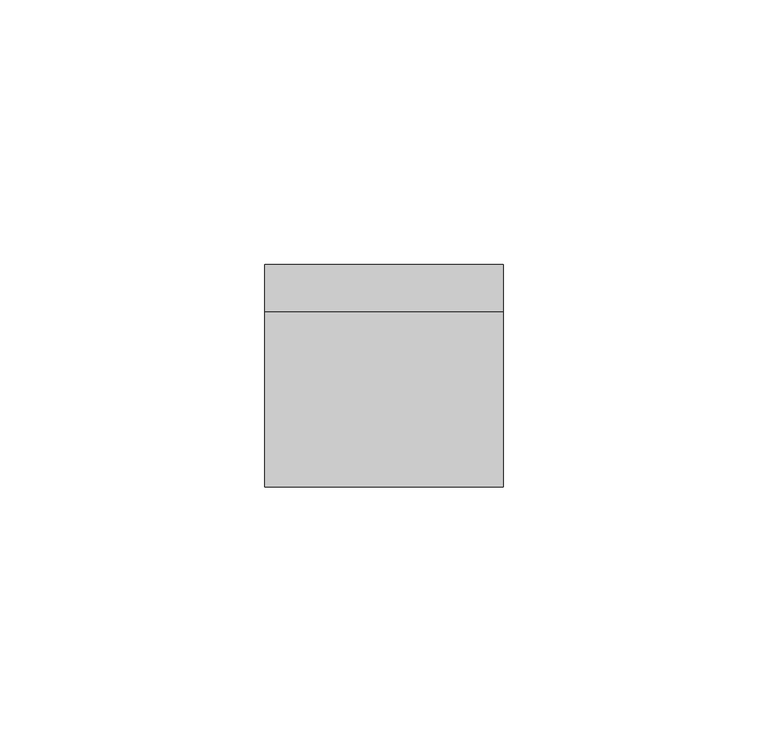
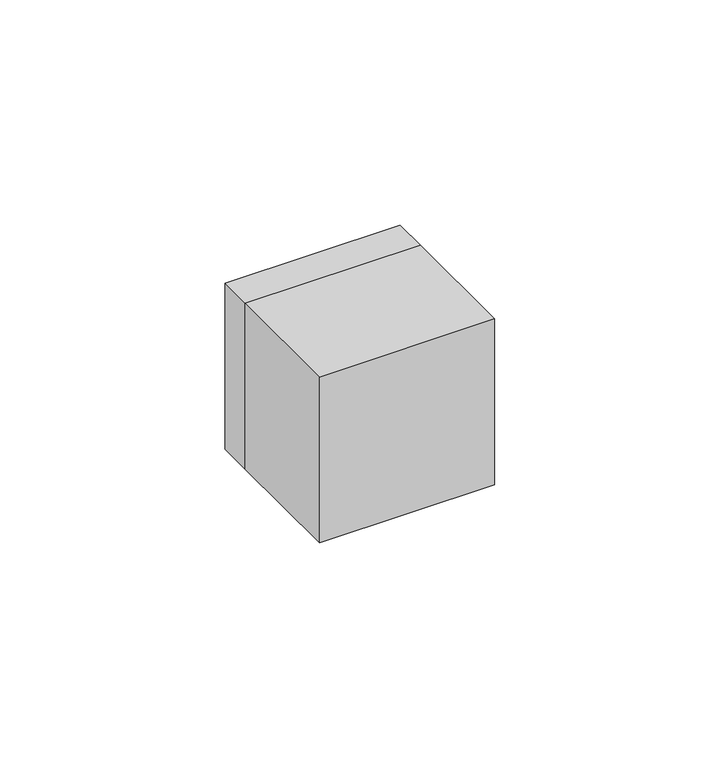
"""IFC4 building model written with IfcOpenShell, lengths in millimetres: proxy geometry."""

import ifcopenshell
import ifcopenshell.guid

model = None  # the IFC model being written
_history = None  # IfcOwnerHistory: only IFC2X3 demands one
_inside = {}  # id of a spatial element -> (the spatial element, [elements in it])
_under = {}  # id of a project, library or spatial element -> (it, [spatial elements below it])
_declared = {}  # id of a project -> (the project, [libraries it declares])
_typed = {}  # id of a type object -> (the type object, [elements of that type])
_made_of = {}  # id of a material, layer set ... -> (it, [elements and type objects made of it])


def new_model(schema):
    """Start an empty IFC model of exactly this schema.

    Asked for "IFC4X3", IfcOpenShell would pick the latest addendum, in which some entities
    have other attributes; the version numbers below select the first issue.
    IFC2X3 requires an IfcOwnerHistory on every rooted entity: one is made here for all.
    """
    global model, _history
    if schema == "IFC4X3":
        model = ifcopenshell.file(schema_version=(4, 3, 0, 0))
    else:
        model = ifcopenshell.file(schema=schema)
    _inside.clear()
    _under.clear()
    _declared.clear()
    _typed.clear()
    _made_of.clear()
    _history = None
    if model.schema == "IFC2X3":
        org = make("IfcOrganization", Name="unknown")
        user = make(
            "IfcPersonAndOrganization",
            ThePerson=make("IfcPerson", FamilyName="unknown"),
            TheOrganization=org,
        )
        app = make(
            "IfcApplication",
            ApplicationDeveloper=org,
            Version="unknown",
            ApplicationFullName="unknown",
            ApplicationIdentifier="unknown",
        )
        _history = make(
            "IfcOwnerHistory",
            OwningUser=user,
            OwningApplication=app,
            ChangeAction="ADDED",
            CreationDate=0,
        )
    return model


def make(cls, **values):
    """One entity of the class cls with the attributes given. An attribute that is None is left unset."""
    return model.create_entity(
        cls, **{name: value for name, value in values.items() if value is not None}
    )


def rooted(cls, **values):
    """An entity with a GlobalId (a new one), such as an element, a storey or a relation."""
    return make(cls, GlobalId=ifcopenshell.guid.new(), OwnerHistory=_history, **values)


def si_unit(unit_type, name, prefix=None):
    """IfcSIUnit, for example si_unit("LENGTHUNIT", "METRE", prefix="MILLI")."""
    return make("IfcSIUnit", UnitType=unit_type, Prefix=prefix, Name=name)


def assignment(units):
    """IfcUnitAssignment: the units of a project."""
    return None if units is None else make("IfcUnitAssignment", Units=units)


def point(xyz):
    """IfcCartesianPoint."""
    return None if xyz is None else make("IfcCartesianPoint", Coordinates=xyz)


def direction(xyz):
    """IfcDirection."""
    return None if xyz is None else make("IfcDirection", DirectionRatios=xyz)


def frame(location, z_axis=None, x_axis=None):
    """IfcAxis2Placement3D, a coordinate frame: its origin and axes. An axis left out is left unset."""
    return make(
        "IfcAxis2Placement3D",
        Location=point(location),
        Axis=direction(z_axis),
        RefDirection=direction(x_axis),
    )


def frame_2d(location, x_axis=None):
    """IfcAxis2Placement2D, a coordinate frame in the plane: its origin and x axis."""
    return make(
        "IfcAxis2Placement2D", Location=point(location), RefDirection=direction(x_axis)
    )


def origin():
    """The frame at (0, 0, 0) with its axes left unset."""
    return frame((0.0, 0.0, 0.0))


def origin_2d():
    """The frame at (0, 0) in the plane with its x axis left unset."""
    return frame_2d((0.0, 0.0))


def place(relative_to, where):
    """IfcLocalPlacement: puts the frame where relative to a parent placement (None: the world)."""
    return make(
        "IfcLocalPlacement", PlacementRelTo=relative_to, RelativePlacement=where
    )


def context(
    kind, dimensions, precision=None, world=None, true_north=None, identifier=None
):
    """IfcGeometricRepresentationContext, for example the 3D "Model" context."""
    return make(
        "IfcGeometricRepresentationContext",
        ContextIdentifier=identifier,
        ContextType=kind,
        CoordinateSpaceDimension=dimensions,
        Precision=precision,
        WorldCoordinateSystem=world,
        TrueNorth=true_north,
    )


def project(units=None, contexts=None):
    """IfcProject with its units and contexts."""
    return rooted(
        "IfcProject",
        Name="project",
        RepresentationContexts=contexts,
        UnitsInContext=assignment(units),
    )


def spatial(cls, under=None, at=None, **own):
    """A site, building, storey or space (cls), placed at a placement, below another one or the project."""
    s = rooted(cls, ObjectPlacement=at, **own)
    if under is not None:
        _under.setdefault(under.id(), (under, []))[1].append(s)
    return s


def polyline(points):
    """IfcPolyline through the points."""
    return make("IfcPolyline", Points=[point(p) for p in points])


def circle_curve(where, radius):
    """IfcCircle in the frame where."""
    return make("IfcCircle", Position=where, Radius=radius)


def trimmed(basis, trim1, trim2, sense, master):
    """IfcTrimmedCurve: the piece of a basis curve between two trims."""
    return make(
        "IfcTrimmedCurve",
        BasisCurve=basis,
        Trim1=trim1,
        Trim2=trim2,
        SenseAgreement=sense,
        MasterRepresentation=master,
    )


def segment(curve, same_sense, transition):
    """IfcCompositeCurveSegment."""
    return make(
        "IfcCompositeCurveSegment",
        Transition=transition,
        SameSense=same_sense,
        ParentCurve=curve,
    )


def composite_curve(segments, self_intersect=None):
    """IfcCompositeCurve: segments joined end to end."""
    return make("IfcCompositeCurve", Segments=segments, SelfIntersect=self_intersect)


def outline(outer, holes=None, kind="AREA"):
    """IfcArbitraryClosedProfileDef: a profile drawn as a closed curve; with holes, ...WithVoids."""
    if holes is None:
        return make("IfcArbitraryClosedProfileDef", ProfileType=kind, OuterCurve=outer)
    return make(
        "IfcArbitraryProfileDefWithVoids",
        ProfileType=kind,
        OuterCurve=outer,
        InnerCurves=holes,
    )


def extrude(swept, where, along, depth):
    """IfcExtrudedAreaSolid: the profile swept, set in the frame where, extruded along a direction by depth."""
    return make(
        "IfcExtrudedAreaSolid",
        SweptArea=swept,
        Position=where,
        ExtrudedDirection=direction(along),
        Depth=depth,
    )


def shape(context_of_items, identifier, shape_type, items):
    """IfcShapeRepresentation: the items that make up one representation, for example the "Body"."""
    return make(
        "IfcShapeRepresentation",
        ContextOfItems=context_of_items,
        RepresentationIdentifier=identifier,
        RepresentationType=shape_type,
        Items=items,
    )


def source(mapping_origin, context_of_items, identifier, shape_type, items):
    """IfcRepresentationMap: a shape defined once, which mapped items show again and again."""
    return make(
        "IfcRepresentationMap",
        MappingOrigin=mapping_origin,
        MappedRepresentation=shape(context_of_items, identifier, shape_type, items),
    )


def transform(
    local_origin,
    x_axis=None,
    y_axis=None,
    z_axis=None,
    scale=None,
    scale2=None,
    scale3=None,
    uniform=True,
):
    """IfcCartesianTransformationOperator3D, or its non-uniform kind. x_axis, y_axis, z_axis: its Axis1, 2, 3."""
    if uniform:
        return make(
            "IfcCartesianTransformationOperator3D",
            Axis1=direction(x_axis),
            Axis2=direction(y_axis),
            LocalOrigin=point(local_origin),
            Scale=scale,
            Axis3=direction(z_axis),
        )
    return make(
        "IfcCartesianTransformationOperator3DnonUniform",
        Axis1=direction(x_axis),
        Axis2=direction(y_axis),
        LocalOrigin=point(local_origin),
        Scale=scale,
        Axis3=direction(z_axis),
        Scale2=scale2,
        Scale3=scale3,
    )


def mapped(mapping_source, mapping_target):
    """IfcMappedItem: shows the shape of a source again, moved by a transform."""
    return make(
        "IfcMappedItem", MappingSource=mapping_source, MappingTarget=mapping_target
    )


def made_of(thing, what):
    """Note that an element or type object is made of a material, layer set ...; save() writes the relation."""
    if what is not None:
        _made_of.setdefault(what.id(), (what, []))[1].append(thing)
    return thing


def element(
    cls,
    number,
    at=None,
    inside=None,
    cuts=None,
    type_object=None,
    material=None,
    context=None,
    identifier="Body",
    shape_type=None,
    held_by="IfcProductDefinitionShape",
    body=None,
    shapes=None,
    **own,
):
    """One element of the class cls, such as IfcWall. Its Tag is "e" and its number.

    at: its placement. inside: the storey or other place that contains it. cuts: it is an
    opening in that element (IfcRelVoidsElement). A single representation is given by context,
    identifier, shape_type and body (its items); several are given by shapes. held_by: the class
    of the entity that holds the representations. save() writes the other relations.
    """
    e = rooted(cls, Tag="e%d" % number, ObjectPlacement=at, **own)
    if body is not None:
        shapes = [shape(context, identifier, shape_type, body)]
    if shapes is not None:
        e.Representation = make(held_by, Representations=shapes)
    if inside is not None:
        _inside.setdefault(inside.id(), (inside, []))[1].append(e)
    if cuts is not None:
        rooted(
            "IfcRelVoidsElement", RelatingBuildingElement=cuts, RelatedOpeningElement=e
        )
    if type_object is not None:
        _typed.setdefault(type_object.id(), (type_object, []))[1].append(e)
    return made_of(e, material)


def aggregate(whole, parts):
    """IfcRelAggregates: a whole, such as a stair, and the parts it consists of."""
    return rooted("IfcRelAggregates", RelatingObject=whole, RelatedObjects=parts)


def save(model, path):
    """Write the relations noted so far, then the file.

    IfcRelAggregates (storeys below a building ...), IfcRelContainedInSpatialStructure (elements
    in a storey), IfcRelDefinesByType, IfcRelAssociatesMaterial and IfcRelDeclares: one each for
    every whole, place, type object, material and project.
    """
    for whole, parts in _under.values():
        aggregate(whole, parts)
    for where, things in _inside.values():
        rooted(
            "IfcRelContainedInSpatialStructure",
            RelatedElements=things,
            RelatingStructure=where,
        )
    for kind, things in _typed.values():
        rooted("IfcRelDefinesByType", RelatedObjects=things, RelatingType=kind)
    for what, things in _made_of.values():
        rooted("IfcRelAssociatesMaterial", RelatedObjects=things, RelatingMaterial=what)
    for by, libraries in _declared.values():
        rooted("IfcRelDeclares", RelatingContext=by, RelatedDefinitions=libraries)
    model.write(path)


def plane_surface(at):
    """IfcPlane: the flat surface through the origin of the frame at, square to its z axis."""
    return make("IfcPlane", Position=at)


def revolved_surface(curve, axis_point, axis_direction):
    """IfcSurfaceOfRevolution: the curve turned about the line through axis_point along axis_direction."""
    return make(
        "IfcSurfaceOfRevolution",
        SweptCurve=make("IfcArbitraryOpenProfileDef", ProfileType="CURVE", Curve=curve),
        AxisPosition=make("IfcAxis1Placement", Location=point(axis_point), Axis=direction(axis_direction)),
    )


def advanced_brep(points, edges, surfaces, faces):
    """IfcAdvancedBrep: a solid bounded by faces that lie on surfaces and meet in shared edges.

    An edge is (start, end): straight between two places in points (the first is 0);
    or (start, end, curve); or (start, end, curve, False) where it runs against its curve.
    A face is (place in surfaces, loops), or (place, loops, False) where it looks against
    its surface's normal. A loop lists edges by number (the first is 1), with a minus sign
    where the edge is run from its end to its start. The first loop is the outer one.
    """
    corners = [point(p) for p in points]
    vertices = [make("IfcVertexPoint", VertexGeometry=c) for c in corners]
    made = []
    for start, end, *more in edges:
        made.append(
            make(
                "IfcEdgeCurve",
                EdgeStart=vertices[start],
                EdgeEnd=vertices[end],
                EdgeGeometry=more[0] if more else make("IfcPolyline", Points=[corners[start], corners[end]]),
                SameSense=more[1] if len(more) > 1 else True,
            )
        )
    hull = []
    for where, loops, *sense in faces:
        bounds = []
        for j, loop in enumerate(loops):
            ring = [make("IfcOrientedEdge", EdgeElement=made[abs(k) - 1], Orientation=k > 0) for k in loop]
            bounds.append(
                make(
                    "IfcFaceOuterBound" if j == 0 else "IfcFaceBound",
                    Bound=make("IfcEdgeLoop", EdgeList=ring),
                    Orientation=True,
                )
            )
        hull.append(make("IfcAdvancedFace", Bounds=bounds, FaceSurface=surfaces[where], SameSense=sense[0] if sense else True))
    return make("IfcAdvancedBrep", Outer=make("IfcClosedShell", CfsFaces=hull))


def electrical_fixtures_ae71fde9(model_context):
    return source(origin(), model_context, "Body", "SolidModel", [
        extrude(outline(polyline([(22.5, -33.0), (-22.5, -33.0), (-22.5, 0.0), (22.5, 0.0), (22.5, -33.0)])), frame((0.0, 0.0, -22.5), z_axis=(0.0, 0.0, 1.0), x_axis=(1.0, 0.0, 0.0)), (0.0, 0.0, 1.0), 45.0),
        extrude(outline(composite_curve([segment(polyline([(-16.0, -1.5), (-17.9373911, -1.5)]), True, "CONTINUOUS"), segment(trimmed(circle_curve(origin_2d(), 18.0), [point((-17.9373911, -1.5))], [point((-17.9373911, 1.5))], False, "CARTESIAN"), True, "CONTINUOUS"), segment(polyline([(-17.9373911, 1.5), (-16.0, 1.5), (-16.0, -1.5)]), True, "CONTINUOUS")], self_intersect=False)), frame((0.0, 1.0, 0.0), z_axis=(0.0, 1.0, 0.0), x_axis=(0.0, 0.0, 1.0)), (0.0, 0.0, 1.0), 7.0),
        extrude(outline(composite_curve([segment(polyline([(16.0, -1.5), (16.0, 1.5), (17.9373911, 1.5)]), True, "CONTINUOUS"), segment(trimmed(circle_curve(origin_2d(), 18.0), [point((17.9373911, 1.5))], [point((17.9373911, -1.5))], False, "CARTESIAN"), True, "CONTINUOUS"), segment(polyline([(17.9373911, -1.5), (16.0, -1.5)]), True, "CONTINUOUS")], self_intersect=False)), frame((0.0, 1.0, 0.0), z_axis=(0.0, 1.0, 0.0), x_axis=(0.0, 0.0, 1.0)), (0.0, 0.0, 1.0), 7.0),
        extrude(outline(composite_curve([segment(polyline([(8.2462113, 16.0), (2.0, 16.0), (2.0, 17.8885438)]), True, "CONTINUOUS"), segment(trimmed(circle_curve(origin_2d(), 18.0), [point((2.0, 17.8885438))], [point((8.2462113, 16.0))], False, "CARTESIAN"), True, "CONTINUOUS")], self_intersect=False)), frame((0.0, 1.0, 0.0), z_axis=(0.0, 1.0, 0.0), x_axis=(0.0, 0.0, 1.0)), (0.0, 0.0, 1.0), 7.0),
        extrude(outline(composite_curve([segment(trimmed(circle_curve(origin_2d(), 18.0), [point((-8.2462113, 16.0))], [point((-2.0, 17.8885438))], False, "CARTESIAN"), True, "CONTINUOUS"), segment(polyline([(-2.0, 17.8885438), (-2.0, 16.0), (-8.2462113, 16.0)]), True, "CONTINUOUS")], self_intersect=False)), frame((0.0, 1.0, 0.0), z_axis=(0.0, 1.0, 0.0), x_axis=(0.0, 0.0, 1.0)), (0.0, 0.0, 1.0), 7.0),
        extrude(outline(composite_curve([segment(polyline([(-8.2462113, -16.0), (-2.0, -16.0), (-2.0, -17.8885438)]), True, "CONTINUOUS"), segment(trimmed(circle_curve(origin_2d(), 18.0), [point((-2.0, -17.8885438))], [point((-8.2462113, -16.0))], False, "CARTESIAN"), True, "CONTINUOUS")], self_intersect=False)), frame((0.0, 1.0, 0.0), z_axis=(0.0, 1.0, 0.0), x_axis=(0.0, 0.0, 1.0)), (0.0, 0.0, 1.0), 7.0),
        extrude(outline(composite_curve([segment(trimmed(circle_curve(origin_2d(), 18.0), [point((8.2462113, -16.0))], [point((2.0, -17.8885438))], False, "CARTESIAN"), True, "CONTINUOUS"), segment(polyline([(2.0, -17.8885438), (2.0, -16.0), (8.2462113, -16.0)]), True, "CONTINUOUS")], self_intersect=False)), frame((0.0, 1.0, 0.0), z_axis=(0.0, 1.0, 0.0), x_axis=(0.0, 0.0, 1.0)), (0.0, 0.0, 1.0), 7.0),
        advanced_brep(
        [(22.5, 9.0, 22.5), (22.5, 9.0, -22.5), (-22.5, 9.0, -22.5), (-22.5, 9.0, 22.5), (-18.0, 9.0, 0.0), (18.0, 9.0, 0.0), (22.5, 0.0, 22.5), (-22.5, 0.0, 22.5), (-22.5, 0.0, -22.5), (22.5, 0.0, -22.5), (-7.0, 0.0, 0.0), (-12.0, 0.0, 0.0), (12.0, 0.0, 0.0), (7.0, 0.0, 0.0), (8.9731851, 0.0, 17.8120198), (12.5935718, 0.0, 21.4324065), (21.4324065, 0.0, 12.5935718), (17.8120198, 0.0, 8.9731851), (-17.8120198, 0.0, 8.9731851), (-21.4324065, 0.0, 12.5935718), (-12.5935718, 0.0, 21.4324065), (-8.9731851, 0.0, 17.8120198), (11.5329116, 0.0, 18.9575328), (18.9575328, 0.0, 11.5329116), (20.018193, 0.0, 12.5935718), (12.5935718, 0.0, 20.018193), (-18.9575328, 0.0, 11.5329116), (-11.5329116, 0.0, 18.9575328), (-12.5935718, 0.0, 20.018193), (-20.018193, 0.0, 12.5935718), (-7.0, 1.0, 0.0), (-12.0, 1.0, 0.0), (12.0, 1.0, 0.0), (7.0, 1.0, 0.0), (-18.0, 1.0, 0.0), (18.0, 1.0, 0.0), (8.9731851, 1.0, 17.8120198), (12.5935718, 1.0, 21.4324065), (17.8120198, 1.0, 8.9731851), (21.4324065, 1.0, 12.5935718), (11.5329116, 1.0, 18.9575328), (18.9575328, 1.0, 11.5329116), (12.5935718, 1.0, 20.018193), (20.018193, 1.0, 12.5935718), (-17.8120198, 1.0, 8.9731851), (-21.4324065, 1.0, 12.5935718), (-8.9731851, 1.0, 17.8120198), (-12.5935718, 1.0, 21.4324065), (-18.9575328, 1.0, 11.5329116), (-11.5329116, 1.0, 18.9575328), (-20.018193, 1.0, 12.5935718), (-12.5935718, 1.0, 20.018193)],
        [
            (0, 1),
            (1, 2),
            (2, 3),
            (3, 0),
            (4, 5, circle_curve(frame((0.0, 9.0, 0.0), z_axis=(0.0, -1.0, 0.0), x_axis=(1.0, 0.0, 0.0)), 18.0)),
            (5, 4, circle_curve(frame((0.0, 9.0, 0.0), z_axis=(0.0, -1.0, 0.0), x_axis=(1.0, 0.0, 0.0)), 18.0)),
            (6, 7),
            (7, 8),
            (8, 9),
            (9, 6),
            (10, 11, circle_curve(frame((-9.5, 0.0, 0.0), z_axis=(0.0, 1.0, 0.0), x_axis=(1.0, 0.0, 0.0)), 2.5)),
            (11, 10, circle_curve(frame((-9.5, 0.0, 0.0), z_axis=(0.0, 1.0, 0.0), x_axis=(1.0, 0.0, 0.0)), 2.5)),
            (12, 13, circle_curve(frame((9.5, 0.0, 0.0), z_axis=(0.0, 1.0, 0.0), x_axis=(1.0, 0.0, 0.0)), 2.5)),
            (13, 12, circle_curve(frame((9.5, 0.0, 0.0), z_axis=(0.0, 1.0, 0.0), x_axis=(1.0, 0.0, 0.0)), 2.5)),
            (14, 15),
            (15, 16),
            (16, 17),
            (17, 14),
            (18, 19),
            (19, 20),
            (20, 21),
            (21, 18),
            (22, 23),
            (23, 24),
            (24, 25),
            (25, 22),
            (26, 27),
            (27, 28),
            (28, 29),
            (29, 26),
            (3, 7),
            (6, 0),
            (2, 8),
            (1, 9),
            (10, 30),
            (30, 31, circle_curve(frame((-9.5, 1.0, 0.0), z_axis=(0.0, 1.0, 0.0), x_axis=(1.0, 0.0, 0.0)), 2.5)),
            (31, 11),
            (31, 30, circle_curve(frame((-9.5, 1.0, 0.0), z_axis=(0.0, 1.0, 0.0), x_axis=(1.0, 0.0, 0.0)), 2.5)),
            (12, 32),
            (32, 33, circle_curve(frame((9.5, 1.0, 0.0), z_axis=(0.0, 1.0, 0.0), x_axis=(1.0, 0.0, 0.0)), 2.5)),
            (33, 13),
            (33, 32, circle_curve(frame((9.5, 1.0, 0.0), z_axis=(0.0, 1.0, 0.0), x_axis=(1.0, 0.0, 0.0)), 2.5)),
            (34, 35, circle_curve(frame((0.0, 1.0, 0.0), z_axis=(0.0, 1.0, 0.0), x_axis=(1.0, 0.0, 0.0)), 18.0)),
            (35, 34, circle_curve(frame((0.0, 1.0, 0.0), z_axis=(0.0, 1.0, 0.0), x_axis=(1.0, 0.0, 0.0)), 18.0)),
            (35, 5),
            (4, 34),
            (36, 37),
            (37, 15),
            (14, 36),
            (38, 36),
            (17, 38),
            (39, 38),
            (16, 39),
            (37, 39),
            (40, 41),
            (41, 23),
            (22, 40),
            (42, 40),
            (25, 42),
            (43, 42),
            (24, 43),
            (41, 43),
            (44, 45),
            (45, 19),
            (18, 44),
            (46, 44),
            (21, 46),
            (47, 46),
            (20, 47),
            (45, 47),
            (48, 49),
            (49, 27),
            (26, 48),
            (50, 48),
            (29, 50),
            (51, 50),
            (28, 51),
            (49, 51),
        ],
        [
            plane_surface(frame((-39.0, 9.0, 22.5), z_axis=(0.0, 1.0, 0.0), x_axis=(1.0, 0.0, 0.0))),
            plane_surface(frame((-39.0, 0.0, 22.5), z_axis=(0.0, -1.0, 0.0), x_axis=(-1.0, 0.0, 0.0))),
            plane_surface(frame((22.5, 0.0, 22.5), z_axis=(0.0, 0.0, 1.0), x_axis=(0.0, 1.0, 0.0))),
            plane_surface(frame((-22.5, 0.0, 22.5), z_axis=(-1.0, 0.0, 0.0), x_axis=(0.0, 1.0, 0.0))),
            plane_surface(frame((-22.5, 0.0, -22.5), z_axis=(0.0, 0.0, -1.0), x_axis=(0.0, 1.0, 0.0))),
            plane_surface(frame((22.5, 0.0, -22.5), z_axis=(1.0, 0.0, 0.0), x_axis=(0.0, 1.0, 0.0))),
            revolved_surface(polyline([(-7.0, 0.0, 0.0), (-7.0, 1.0, 0.0)]), (-9.5, 1.0, 0.0), (0.0, -1.0, 0.0)),
            revolved_surface(polyline([(12.0, 0.0, 0.0), (12.0, 1.0, 0.0)]), (9.5, 0.0, 0.0), (0.0, -1.0, 0.0)),
            plane_surface(frame((18.0, 1.0, 0.0), z_axis=(0.0, 1.0, 0.0), x_axis=(0.0, 0.0, 1.0))),
            revolved_surface(polyline([(18.0, 1.0, 0.0), (18.0, 9.0, 0.0)]), (0.0, 9.0, 0.0), (0.0, -1.0, 0.0)),
            plane_surface(frame((12.5935718, 0.0, 21.4324065), z_axis=(0.7071067811865481, 0.0, -0.7071067811865469), x_axis=(0.0, 1.0, 0.0))),
            plane_surface(frame((8.9731851, 0.0, 17.8120198), z_axis=(0.707106781186547, 0.0, 0.7071067811865481), x_axis=(0.0, 1.0, 0.0))),
            plane_surface(frame((17.8120198, 0.0, 8.9731851), z_axis=(-0.707106781186549, 0.0, 0.7071067811865461), x_axis=(0.0, 1.0, 0.0))),
            plane_surface(frame((21.4324065, 0.0, 12.5935718), z_axis=(-0.7071067811865469, 0.0, -0.7071067811865482), x_axis=(0.0, 1.0, 0.0))),
            plane_surface(frame((18.9575328, 0.0, 11.5329116), z_axis=(-0.7071067811865468, 0.0, -0.7071067811865482), x_axis=(0.0, 1.0, 0.0))),
            plane_surface(frame((11.5329116, 0.0, 18.9575328), z_axis=(-0.7071067811865503, 0.0, 0.7071067811865447), x_axis=(0.0, 1.0, 0.0))),
            plane_surface(frame((12.5935718, 0.0, 20.018193), z_axis=(0.7071067811865468, 0.0, 0.7071067811865482), x_axis=(0.0, 1.0, 0.0))),
            plane_surface(frame((20.018193, 0.0, 12.5935718), z_axis=(0.7071067811865489, 0.0, -0.7071067811865461), x_axis=(0.0, 1.0, 0.0))),
            plane_surface(frame((-21.4324065, 0.0, 12.5935718), z_axis=(0.7071067811865465, 0.0, 0.7071067811865486), x_axis=(0.0, 1.0, 0.0))),
            plane_surface(frame((-17.8120198, 0.0, 8.9731851), z_axis=(-0.7071067811865488, 0.0, 0.7071067811865464), x_axis=(0.0, 1.0, 0.0))),
            plane_surface(frame((-8.9731851, 0.0, 17.8120198), z_axis=(-0.707106781186546, 0.0, -0.7071067811865491), x_axis=(0.0, 1.0, 0.0))),
            plane_surface(frame((-12.5935718, 0.0, 21.4324065), z_axis=(0.707106781186549, 0.0, -0.7071067811865461), x_axis=(0.0, 1.0, 0.0))),
            plane_surface(frame((-11.5329116, 0.0, 18.9575328), z_axis=(0.7071067811865488, 0.0, -0.7071067811865462), x_axis=(0.0, 1.0, 0.0))),
            plane_surface(frame((-18.9575328, 0.0, 11.5329116), z_axis=(-0.7071067811865455, 0.0, -0.7071067811865497), x_axis=(0.0, 1.0, 0.0))),
            plane_surface(frame((-20.018193, 0.0, 12.5935718), z_axis=(-0.7071067811865489, 0.0, 0.7071067811865462), x_axis=(0.0, 1.0, 0.0))),
            plane_surface(frame((-12.5935718, 0.0, 20.018193), z_axis=(0.7071067811865469, 0.0, 0.7071067811865482), x_axis=(0.0, 1.0, 0.0))),
            plane_surface(frame((12.5935718, 1.0, 21.4324065), z_axis=(0.0, -1.0, 0.0), x_axis=(0.7071067811865469, 0.0, 0.7071067811865481))),
            plane_surface(frame((-21.4324065, 1.0, 12.5935718), z_axis=(0.0, -1.0, 0.0), x_axis=(-0.7071067811865486, 0.0, 0.7071067811865465))),
        ],
        [
            (0, [[1, 2, 3, 4], [5, 6]]),
            (1, [[7, 8, 9, 10], [11, 12], [13, 14], [15, 16, 17, 18], [19, 20, 21, 22]]),
            (1, [[23, 24, 25, 26]]),
            (1, [[27, 28, 29, 30]]),
            (2, [[-4, 31, -7, 32]]),
            (3, [[-3, 33, -8, -31]]),
            (4, [[-2, 34, -9, -33]]),
            (5, [[-1, -32, -10, -34]]),
            (6, [[35, 36, 37, -11]]),
            (6, [[-35, -12, -37, 38]]),
            (7, [[39, 40, 41, -13]]),
            (7, [[-39, -14, -41, 42]]),
            (8, [[43, 44], [-36, -38], [-40, -42]]),
            (9, [[-44, 45, -5, 46]]),
            (9, [[-43, -46, -6, -45]]),
            (10, [[47, 48, -15, 49]]),
            (11, [[50, -49, -18, 51]]),
            (12, [[52, -51, -17, 53]]),
            (13, [[54, -53, -16, -48]]),
            (14, [[55, 56, -23, 57]]),
            (15, [[58, -57, -26, 59]]),
            (16, [[60, -59, -25, 61]]),
            (17, [[62, -61, -24, -56]]),
            (18, [[63, 64, -19, 65]]),
            (19, [[66, -65, -22, 67]]),
            (20, [[68, -67, -21, 69]]),
            (21, [[70, -69, -20, -64]]),
            (22, [[71, 72, -27, 73]]),
            (23, [[74, -73, -30, 75]]),
            (24, [[76, -75, -29, 77]]),
            (25, [[78, -77, -28, -72]]),
            (26, [[-47, -50, -52, -54], [-55, -58, -60, -62]]),
            (27, [[-63, -66, -68, -70], [-71, -74, -76, -78]]),
        ],
    ),
    ])


if __name__ == "__main__":
    model = new_model("IFC4")
    model_context = context("Model", 3, world=origin())
    ifc_project = project(units=[si_unit("LENGTHUNIT", "METRE", prefix="MILLI")], contexts=[model_context])
    site = spatial("IfcSite", under=ifc_project)
    building = spatial("IfcBuilding", under=site)
    placement = place(None, origin())
    electrical_fixtures_shape = electrical_fixtures_ae71fde9(model_context)
    element("IfcBuildingElementProxy", 1, Name="Electrical Fixtures", at=placement, inside=building, context=model_context, shape_type="MappedRepresentation", body=[
        mapped(electrical_fixtures_shape, transform((0.0, 0.0, 0.0), x_axis=(1.0, 0.0, 0.0), y_axis=(0.0, 1.0, 0.0), z_axis=(0.0, 0.0, 1.0))),
    ])
    save(model, "model.ifc")
